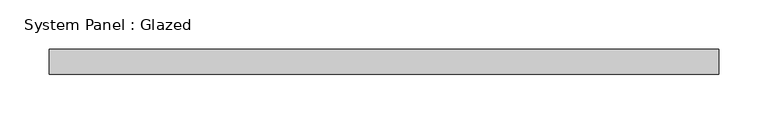
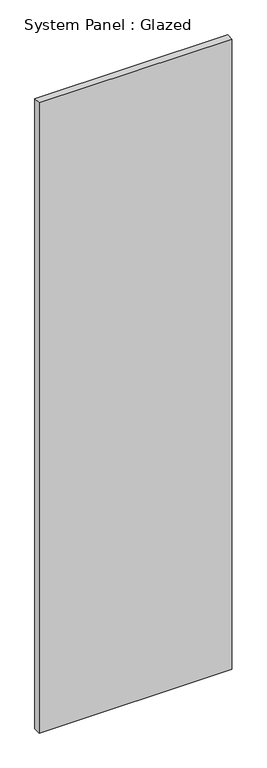
"""IFC4 building model written with IfcOpenShell, lengths in millimetres: plate geometry, System Panel : Glazed."""

from ifc_helpers import new_model, si_unit, origin, origin_with_axes, place, context, project, spatial, polyline, outline, extrude, source, transform, mapped, element, save


def system_panel_glazed_3d373b9b(model_context):
    return source(origin(), model_context, "Body", "SweptSolid", [
        extrude(outline(polyline([(339.725, 0.0), (-339.725, 0.0), (-339.725, 25.4), (339.725, 25.4), (339.725, 0.0)])), origin_with_axes(), (0.0, 0.0, 1.0), 2349.5),
    ])


if __name__ == "__main__":
    model = new_model("IFC4")
    model_context = context("Model", 3, world=origin())
    ifc_project = project(units=[si_unit("LENGTHUNIT", "METRE", prefix="MILLI")], contexts=[model_context])
    site = spatial("IfcSite", under=ifc_project)
    building = spatial("IfcBuilding", under=site)
    placement = place(None, origin())
    system_panel_glazed_shape = system_panel_glazed_3d373b9b(model_context)
    element("IfcPlate", 1, ObjectType="System Panel : Glazed", at=placement, inside=building, context=model_context, shape_type="MappedRepresentation", body=[
        mapped(system_panel_glazed_shape, transform((0.0, 0.0, 0.0), x_axis=(1.0, 0.0, 0.0), y_axis=(0.0, 1.0, 0.0), z_axis=(0.0, 0.0, 1.0))),
    ])
    save(model, "model.ifc")
